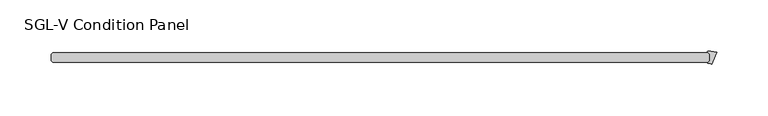
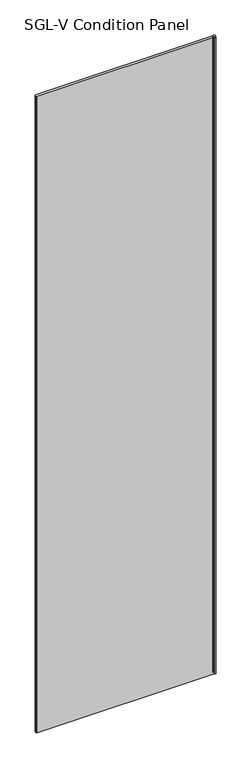
"""IFC4 building model written with IfcOpenShell, lengths in millimetres: plate geometry, SGL-V Condition Panel."""

from ifc_helpers import new_model, si_unit, point, frame_2d, origin, origin_with_axes, place, context, project, spatial, polyline, circle_curve, trimmed, segment, composite_curve, outline, extrude, source, transform, mapped, element, save


def sgl_v_condition_panel_3b965113(model_context):
    return source(origin(), model_context, "Body", "SweptSolid", [
        extrude(outline(composite_curve([segment(polyline([(331.659972, 35.1433375), (326.9309388, 23.7264413)]), True, "CONTINUOUS"), segment(trimmed(circle_curve(frame_2d((323.2331067, 16.386585)), 8.2187257), [point((326.9309388, 23.7264413))], [point((323.4004278, 24.6036073))], True, "CARTESIAN"), True, "CONTINUOUS"), segment(trimmed(circle_curve(frame_2d((323.4085076, 25.0004)), 0.396875), [point((323.4004278, 24.6036073))], [point((323.1278746, 25.2810331))], False, "CARTESIAN"), True, "CONTINUOUS"), segment(polyline([(323.1278746, 25.2810331), (324.8343416, 26.9875), (324.8343416, 33.3375), (322.7551339, 35.4167077)]), True, "CONTINUOUS"), segment(trimmed(circle_curve(frame_2d((323.0357669, 35.6973407)), 0.396875), [point((322.7551339, 35.4167077))], [point((322.9799997, 36.0902781))], False, "CARTESIAN"), True, "CONTINUOUS"), segment(trimmed(circle_curve(frame_2d((325.462995, 18.5950115)), 17.6705863), [point((322.9799997, 36.0902781))], [point((331.659972, 35.1433375))], False, "CARTESIAN"), True, "CONTINUOUS")], self_intersect=False)), origin_with_axes(), (0.0, 0.0, 1.0), 2417.075),
        extrude(outline(polyline([(323.2468416, 34.925), (324.8343416, 33.3375), (324.8343416, 26.9875), (323.2468416, 25.4), (-315.515625, 25.4), (-317.103125, 26.9875), (-317.103125, 33.3375), (-315.515625, 34.925), (323.2468416, 34.925)])), origin_with_axes(), (0.0, 0.0, 1.0), 2417.075),
    ])


if __name__ == "__main__":
    model = new_model("IFC4")
    model_context = context("Model", 3, world=origin())
    ifc_project = project(units=[si_unit("LENGTHUNIT", "METRE", prefix="MILLI")], contexts=[model_context])
    site = spatial("IfcSite", under=ifc_project)
    building = spatial("IfcBuilding", under=site)
    placement = place(None, origin())
    sgl_v_condition_panel_shape = sgl_v_condition_panel_3b965113(model_context)
    element("IfcPlate", 1, ObjectType="SGL-V Condition Panel", at=placement, inside=building, context=model_context, shape_type="MappedRepresentation", body=[
        mapped(sgl_v_condition_panel_shape, transform((0.0, 0.0, 0.0), x_axis=(1.0, 0.0, 0.0), y_axis=(0.0, 1.0, 0.0), z_axis=(0.0, 0.0, 1.0))),
    ])
    save(model, "model.ifc")
